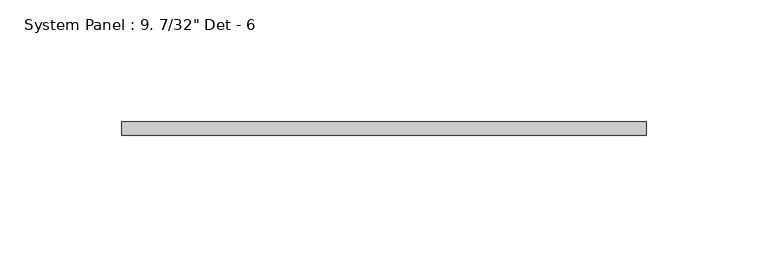
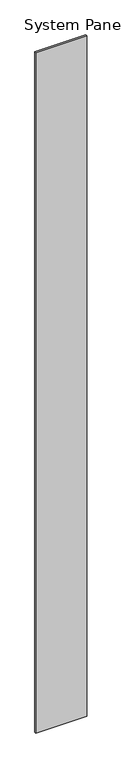
"""IFC4 building model written with IfcOpenShell, lengths in millimetres: plate geometry."""

from ifc_helpers import new_model, si_unit, origin, origin_with_axes, place, context, project, spatial, polyline, outline, extrude, source, transform, mapped, element, save


def plate_9ac77d00(model_context):
    return source(origin(), model_context, "Body", "SweptSolid", [
        extrude(outline(polyline([(107.95, -5.55625), (-107.95, -5.55625), (-107.95, 0.0), (107.95, 0.0), (107.95, -5.55625)])), origin_with_axes(), (0.0, 0.0, 1.0), 3048.0),
    ])


if __name__ == "__main__":
    model = new_model("IFC4")
    model_context = context("Model", 3, world=origin())
    ifc_project = project(units=[si_unit("LENGTHUNIT", "METRE", prefix="MILLI")], contexts=[model_context])
    site = spatial("IfcSite", under=ifc_project)
    building = spatial("IfcBuilding", under=site)
    placement = place(None, origin())
    plate_shape = plate_9ac77d00(model_context)
    element("IfcPlate", 1, ObjectType="System Panel : 9. 7/32\" Det - 6", at=placement, inside=building, context=model_context, shape_type="MappedRepresentation", body=[
        mapped(plate_shape, transform((0.0, 0.0, 0.0), x_axis=(1.0, 0.0, 0.0), y_axis=(0.0, 1.0, 0.0), z_axis=(0.0, 0.0, 1.0))),
    ])
    save(model, "model.ifc")
